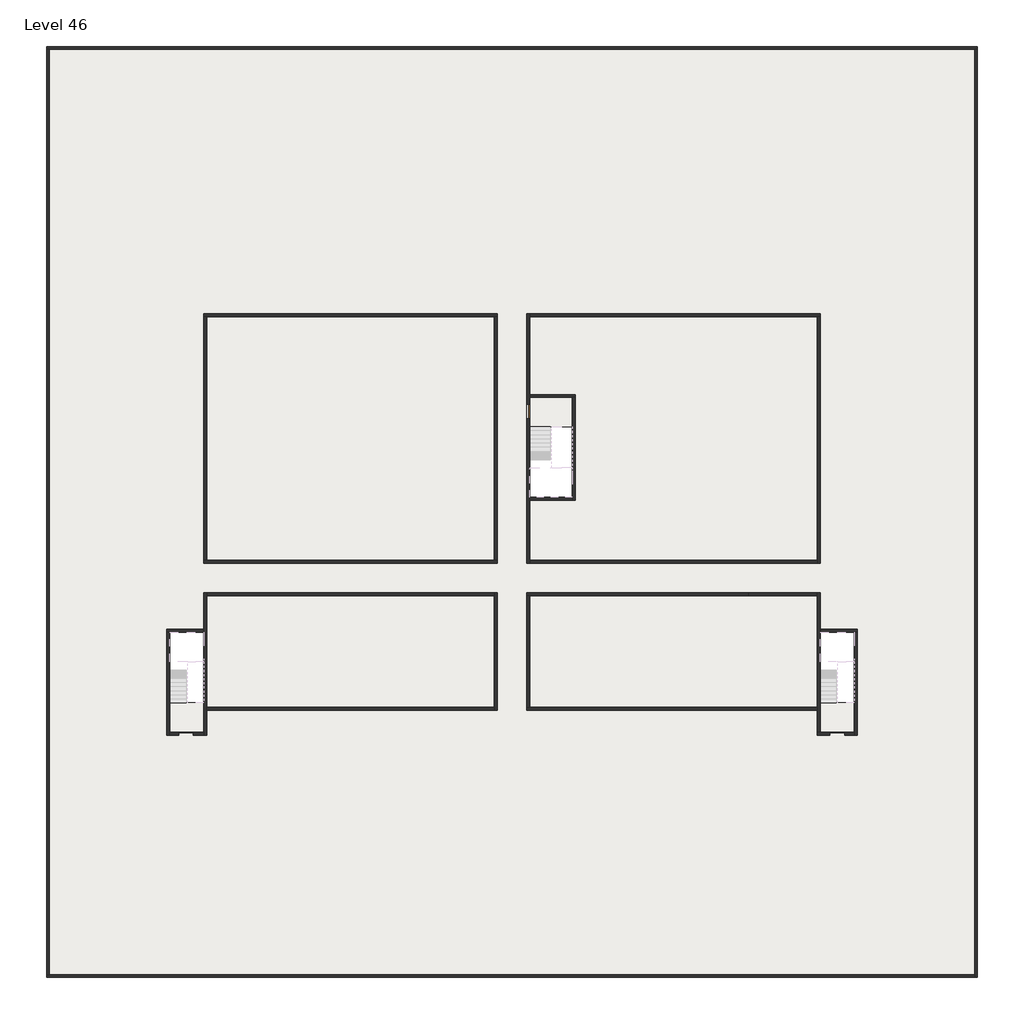
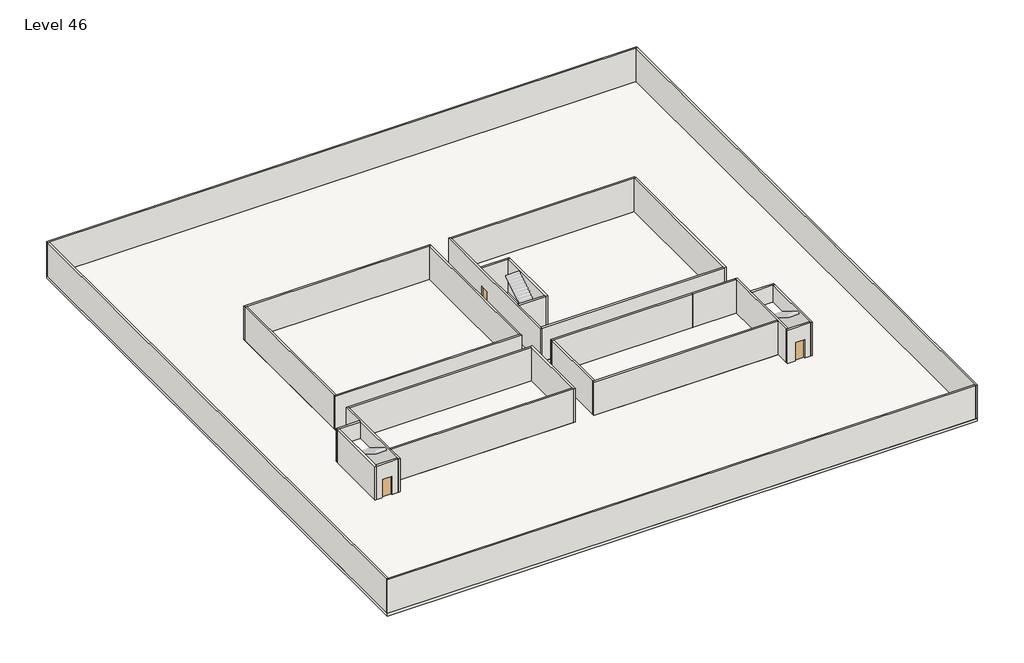
# One storey, part 1 of 2: 30 walls, 3 doors, 3 slabs.
"""IFC4 building model written with IfcOpenShell, lengths in millimetres."""

import ifcopenshell
import ifcopenshell.guid

model = None  # the IFC model being written
_history = None  # IfcOwnerHistory: only IFC2X3 demands one
_inside = {}  # id of a spatial element -> (the spatial element, [elements in it])
_under = {}  # id of a project, library or spatial element -> (it, [spatial elements below it])
_declared = {}  # id of a project -> (the project, [libraries it declares])
_typed = {}  # id of a type object -> (the type object, [elements of that type])
_made_of = {}  # id of a material, layer set ... -> (it, [elements and type objects made of it])


def new_model(schema):
    """Start an empty IFC model of exactly this schema.

    Asked for "IFC4X3", IfcOpenShell would pick the latest addendum, in which some entities
    have other attributes; the version numbers below select the first issue.
    IFC2X3 requires an IfcOwnerHistory on every rooted entity: one is made here for all.
    """
    global model, _history
    if schema == "IFC4X3":
        model = ifcopenshell.file(schema_version=(4, 3, 0, 0))
    else:
        model = ifcopenshell.file(schema=schema)
    _inside.clear()
    _under.clear()
    _declared.clear()
    _typed.clear()
    _made_of.clear()
    _history = None
    if model.schema == "IFC2X3":
        org = make("IfcOrganization", Name="unknown")
        user = make(
            "IfcPersonAndOrganization",
            ThePerson=make("IfcPerson", FamilyName="unknown"),
            TheOrganization=org,
        )
        app = make(
            "IfcApplication",
            ApplicationDeveloper=org,
            Version="unknown",
            ApplicationFullName="unknown",
            ApplicationIdentifier="unknown",
        )
        _history = make(
            "IfcOwnerHistory",
            OwningUser=user,
            OwningApplication=app,
            ChangeAction="ADDED",
            CreationDate=0,
        )
    return model


def make(cls, **values):
    """One entity of the class cls with the attributes given. An attribute that is None is left unset."""
    return model.create_entity(
        cls, **{name: value for name, value in values.items() if value is not None}
    )


def rooted(cls, **values):
    """An entity with a GlobalId (a new one), such as an element, a storey or a relation."""
    return make(cls, GlobalId=ifcopenshell.guid.new(), OwnerHistory=_history, **values)


def si_unit(unit_type, name, prefix=None):
    """IfcSIUnit, for example si_unit("LENGTHUNIT", "METRE", prefix="MILLI")."""
    return make("IfcSIUnit", UnitType=unit_type, Prefix=prefix, Name=name)


def assignment(units):
    """IfcUnitAssignment: the units of a project."""
    return None if units is None else make("IfcUnitAssignment", Units=units)


def point(xyz):
    """IfcCartesianPoint."""
    return None if xyz is None else make("IfcCartesianPoint", Coordinates=xyz)


def direction(xyz):
    """IfcDirection."""
    return None if xyz is None else make("IfcDirection", DirectionRatios=xyz)


def frame(location, z_axis=None, x_axis=None):
    """IfcAxis2Placement3D, a coordinate frame: its origin and axes. An axis left out is left unset."""
    return make(
        "IfcAxis2Placement3D",
        Location=point(location),
        Axis=direction(z_axis),
        RefDirection=direction(x_axis),
    )


def origin():
    """The frame at (0, 0, 0) with its axes left unset."""
    return frame((0.0, 0.0, 0.0))


def origin_with_axes():
    """The frame at (0, 0, 0) with the z axis (0, 0, 1) and the x axis (1, 0, 0) written out."""
    return frame((0.0, 0.0, 0.0), z_axis=(0.0, 0.0, 1.0), x_axis=(1.0, 0.0, 0.0))


def place(relative_to, where):
    """IfcLocalPlacement: puts the frame where relative to a parent placement (None: the world)."""
    return make(
        "IfcLocalPlacement", PlacementRelTo=relative_to, RelativePlacement=where
    )


def context(
    kind, dimensions, precision=None, world=None, true_north=None, identifier=None
):
    """IfcGeometricRepresentationContext, for example the 3D "Model" context."""
    return make(
        "IfcGeometricRepresentationContext",
        ContextIdentifier=identifier,
        ContextType=kind,
        CoordinateSpaceDimension=dimensions,
        Precision=precision,
        WorldCoordinateSystem=world,
        TrueNorth=true_north,
    )


def project(units=None, contexts=None):
    """IfcProject with its units and contexts."""
    return rooted(
        "IfcProject",
        Name="project",
        RepresentationContexts=contexts,
        UnitsInContext=assignment(units),
    )


def spatial(cls, under=None, at=None, **own):
    """A site, building, storey or space (cls), placed at a placement, below another one or the project."""
    s = rooted(cls, ObjectPlacement=at, **own)
    if under is not None:
        _under.setdefault(under.id(), (under, []))[1].append(s)
    return s


def polyline(points):
    """IfcPolyline through the points."""
    return make("IfcPolyline", Points=[point(p) for p in points])


def outline(outer, holes=None, kind="AREA"):
    """IfcArbitraryClosedProfileDef: a profile drawn as a closed curve; with holes, ...WithVoids."""
    if holes is None:
        return make("IfcArbitraryClosedProfileDef", ProfileType=kind, OuterCurve=outer)
    return make(
        "IfcArbitraryProfileDefWithVoids",
        ProfileType=kind,
        OuterCurve=outer,
        InnerCurves=holes,
    )


def extrude(swept, where, along, depth):
    """IfcExtrudedAreaSolid: the profile swept, set in the frame where, extruded along a direction by depth."""
    return make(
        "IfcExtrudedAreaSolid",
        SweptArea=swept,
        Position=where,
        ExtrudedDirection=direction(along),
        Depth=depth,
    )


def faces_of(points, faces, orient=None, outer=None):
    """IfcFace entities. A face is a list of loops; a loop is a list of indices into points, from 0.

    orient and outer hold one flag for each loop. By default every Orientation is true, the
    first loop of a face is its IfcFaceOuterBound and the others are IfcFaceBound.
    """
    made = []
    for i, loops in enumerate(faces):
        bounds = []
        for j, loop in enumerate(loops):
            is_outer = j == 0 if outer is None else outer[i][j]
            bounds.append(
                make(
                    "IfcFaceOuterBound" if is_outer else "IfcFaceBound",
                    Bound=make("IfcPolyLoop", Polygon=[points[k] for k in loop]),
                    Orientation=True if orient is None else orient[i][j],
                )
            )
        made.append(make("IfcFace", Bounds=bounds))
    return made


def faceted_brep(points, faces, orient=None, outer=None, voids=None):
    """IfcFacetedBrep: a solid bounded by flat faces; with voids (closed shells), ...WithVoids."""
    shared = [point(p) for p in points]
    hull = make("IfcClosedShell", CfsFaces=faces_of(shared, faces, orient, outer))
    if voids is None:
        return make("IfcFacetedBrep", Outer=hull)
    return make(
        "IfcFacetedBrepWithVoids",
        Outer=hull,
        Voids=[
            make(cls, CfsFaces=faces_of(shared, fs, o, b)) for cls, fs, o, b in voids
        ],
    )


def shape(context_of_items, identifier, shape_type, items):
    """IfcShapeRepresentation: the items that make up one representation, for example the "Body"."""
    return make(
        "IfcShapeRepresentation",
        ContextOfItems=context_of_items,
        RepresentationIdentifier=identifier,
        RepresentationType=shape_type,
        Items=items,
    )


def source(mapping_origin, context_of_items, identifier, shape_type, items):
    """IfcRepresentationMap: a shape defined once, which mapped items show again and again."""
    return make(
        "IfcRepresentationMap",
        MappingOrigin=mapping_origin,
        MappedRepresentation=shape(context_of_items, identifier, shape_type, items),
    )


def transform(
    local_origin,
    x_axis=None,
    y_axis=None,
    z_axis=None,
    scale=None,
    scale2=None,
    scale3=None,
    uniform=True,
):
    """IfcCartesianTransformationOperator3D, or its non-uniform kind. x_axis, y_axis, z_axis: its Axis1, 2, 3."""
    if uniform:
        return make(
            "IfcCartesianTransformationOperator3D",
            Axis1=direction(x_axis),
            Axis2=direction(y_axis),
            LocalOrigin=point(local_origin),
            Scale=scale,
            Axis3=direction(z_axis),
        )
    return make(
        "IfcCartesianTransformationOperator3DnonUniform",
        Axis1=direction(x_axis),
        Axis2=direction(y_axis),
        LocalOrigin=point(local_origin),
        Scale=scale,
        Axis3=direction(z_axis),
        Scale2=scale2,
        Scale3=scale3,
    )


def mapped(mapping_source, mapping_target):
    """IfcMappedItem: shows the shape of a source again, moved by a transform."""
    return make(
        "IfcMappedItem", MappingSource=mapping_source, MappingTarget=mapping_target
    )


def made_of(thing, what):
    """Note that an element or type object is made of a material, layer set ...; save() writes the relation."""
    if what is not None:
        _made_of.setdefault(what.id(), (what, []))[1].append(thing)
    return thing


def element(
    cls,
    number,
    at=None,
    inside=None,
    cuts=None,
    type_object=None,
    material=None,
    context=None,
    identifier="Body",
    shape_type=None,
    held_by="IfcProductDefinitionShape",
    body=None,
    shapes=None,
    **own,
):
    """One element of the class cls, such as IfcWall. Its Tag is "e" and its number.

    at: its placement. inside: the storey or other place that contains it. cuts: it is an
    opening in that element (IfcRelVoidsElement). A single representation is given by context,
    identifier, shape_type and body (its items); several are given by shapes. held_by: the class
    of the entity that holds the representations. save() writes the other relations.
    """
    e = rooted(cls, Tag="e%d" % number, ObjectPlacement=at, **own)
    if body is not None:
        shapes = [shape(context, identifier, shape_type, body)]
    if shapes is not None:
        e.Representation = make(held_by, Representations=shapes)
    if inside is not None:
        _inside.setdefault(inside.id(), (inside, []))[1].append(e)
    if cuts is not None:
        rooted(
            "IfcRelVoidsElement", RelatingBuildingElement=cuts, RelatedOpeningElement=e
        )
    if type_object is not None:
        _typed.setdefault(type_object.id(), (type_object, []))[1].append(e)
    return made_of(e, material)


def aggregate(whole, parts):
    """IfcRelAggregates: a whole, such as a stair, and the parts it consists of."""
    return rooted("IfcRelAggregates", RelatingObject=whole, RelatedObjects=parts)


def save(model, path):
    """Write the relations noted so far, then the file.

    IfcRelAggregates (storeys below a building ...), IfcRelContainedInSpatialStructure (elements
    in a storey), IfcRelDefinesByType, IfcRelAssociatesMaterial and IfcRelDeclares: one each for
    every whole, place, type object, material and project.
    """
    for whole, parts in _under.values():
        aggregate(whole, parts)
    for where, things in _inside.values():
        rooted(
            "IfcRelContainedInSpatialStructure",
            RelatedElements=things,
            RelatingStructure=where,
        )
    for kind, things in _typed.values():
        rooted("IfcRelDefinesByType", RelatedObjects=things, RelatingType=kind)
    for what, things in _made_of.values():
        rooted("IfcRelAssociatesMaterial", RelatedObjects=things, RelatingMaterial=what)
    for by, libraries in _declared.values():
        rooted("IfcRelDeclares", RelatingContext=by, RelatedDefinitions=libraries)
    model.write(path)


def door_0317a72c(model_context):
    return source(origin(), model_context, "Body", "SweptSolid", [
        extrude(outline(polyline([(500.0, -49.0), (500.0, -100.0), (-500.0, -100.0), (-500.0, -49.0), (500.0, -49.0)])), origin_with_axes(), (0.0, 0.0, 1.0), 2100.0),
    ])


model = new_model("IFC4")

# Units and contexts
model_context = context("Model", 3, world=origin())
ifc_project = project(units=[si_unit("LENGTHUNIT", "METRE", prefix="MILLI")], contexts=[model_context])

# Site, building, storey
site = spatial("IfcSite", under=ifc_project)
building = spatial("IfcBuilding", under=site)
storey = spatial("IfcBuildingStorey", under=building, Name="Level 46", Elevation=171000.0)

# Doors
placement = place(None, origin())
door_shape = door_0317a72c(model_context)
element("IfcDoor", 1, at=placement, inside=storey, context=model_context, shape_type="MappedRepresentation", body=[
    mapped(door_shape, transform((46340.1058784, -52318.09644, 171000.0), x_axis=(-1.0, 0.0, 0.0), y_axis=(0.0, -1.0, 0.0), z_axis=(0.0, 0.0, 1.0))),
])
element("IfcDoor", 2, at=placement, inside=storey, context=model_context, shape_type="MappedRepresentation", body=[
    mapped(door_shape, transform((1990.1058784, -52318.09644, 171000.0), x_axis=(-1.0, 0.0, 0.0), y_axis=(0.0, -1.0, 0.0), z_axis=(0.0, 0.0, 1.0))),
])
element("IfcDoor", 3, at=placement, inside=storey, context=model_context, shape_type="MappedRepresentation", body=[
    mapped(door_shape, transform((25290.1058784, -30368.09644, 171000.0), x_axis=(0.0, 1.0, 0.0), y_axis=(-1.0, 0.0, 0.0), z_axis=(0.0, 0.0, 1.0))),
])

# Slabs
element("IfcSlab", 4, at=placement, inside=storey, context=model_context, shape_type="SweptSolid", body=[
    extrude(outline(polyline([(55890.1058784, -5518.09644), (55890.1058784, -68918.09644), (-7509.8941216, -68918.09644), (-7509.8941216, -5518.09644), (55890.1058784, -5518.09644)]), holes=[polyline([(23190.1058784, -23718.09644), (3190.1058784, -23718.09644), (3190.1058784, -40718.09644), (23190.1058784, -40718.09644), (23190.1058784, -23718.09644)]), polyline([(45190.1058784, -23718.09644), (25190.1058784, -23718.09644), (25190.1058784, -40718.09644), (45190.1058784, -40718.09644), (45190.1058784, -23718.09644)]), polyline([(23190.1058784, -42718.09644), (3390.1058784, -42718.09644), (3390.1058784, -45418.09644), (890.1058784, -45418.09644), (890.1058784, -52218.09644), (3190.1058784, -52218.09644), (3190.1058784, -50718.09644), (23190.1058784, -50718.09644), (23190.1058784, -42718.09644)]), polyline([(44990.1058784, -42718.09644), (25190.1058784, -42718.09644), (25190.1058784, -50718.09644), (45190.1058784, -50718.09644), (45190.1058784, -52218.09644), (47490.1058784, -52218.09644), (47490.1058784, -45418.09644), (44990.1058784, -45418.09644), (44990.1058784, -42718.09644)])]), frame((0.0, 0.0, 170700.0), z_axis=(0.0, 0.0, 1.0), x_axis=(1.0, 0.0, 0.0)), (0.0, 0.0, 1.0), 300.0),
])
element("IfcSlab", 5, at=placement, inside=storey, context=model_context, shape_type="SweptSolid", body=[
    extrude(outline(polyline([(22990.1058784, -23918.09644), (22990.1058784, -40518.09644), (3390.1058784, -40518.09644), (3390.1058784, -23918.09644), (22990.1058784, -23918.09644)])), frame((0.0, 0.0, 170700.0), z_axis=(0.0, 0.0, 1.0), x_axis=(1.0, 0.0, 0.0)), (0.0, 0.0, 1.0), 300.0),
    extrude(outline(polyline([(44990.1058784, -23918.09644), (44990.1058784, -40518.09644), (25390.1058784, -40518.09644), (25390.1058784, -36418.09644), (28490.1058784, -36418.09644), (28490.1058784, -29218.09644), (25390.1058784, -29218.09644), (25390.1058784, -23918.09644), (44990.1058784, -23918.09644)])), frame((0.0, 0.0, 170700.0), z_axis=(0.0, 0.0, 1.0), x_axis=(1.0, 0.0, 0.0)), (0.0, 0.0, 1.0), 300.0),
    extrude(outline(polyline([(22990.1058784, -42918.09644), (22990.1058784, -50518.09644), (3390.1058784, -50518.09644), (3390.1058784, -42918.09644), (22990.1058784, -42918.09644)])), frame((0.0, 0.0, 170700.0), z_axis=(0.0, 0.0, 1.0), x_axis=(1.0, 0.0, 0.0)), (0.0, 0.0, 1.0), 300.0),
    extrude(outline(polyline([(44990.1058784, -42918.09644), (44990.1058784, -50518.09644), (25390.1058784, -50518.09644), (25390.1058784, -42918.09644), (44990.1058784, -42918.09644)])), frame((0.0, 0.0, 170700.0), z_axis=(0.0, 0.0, 1.0), x_axis=(1.0, 0.0, 0.0)), (0.0, 0.0, 1.0), 300.0),
])
element("IfcSlab", 6, at=placement, inside=storey, context=model_context, shape_type="SweptSolid", body=[
    extrude(outline(polyline([(28290.1058784, -29418.09644), (28290.1058784, -31418.09644), (25190.1058784, -31418.09644), (25190.1058784, -29418.09644), (28290.1058784, -29418.09644)])), frame((0.0, 0.0, 170700.0), z_axis=(0.0, 0.0, 1.0), x_axis=(1.0, 0.0, 0.0)), (0.0, 0.0, 1.0), 300.0),
    extrude(outline(polyline([(3190.1058784, -50218.09644), (3190.1058784, -52218.09644), (890.1058784, -52218.09644), (890.1058784, -50218.09644), (3190.1058784, -50218.09644)])), frame((0.0, 0.0, 170700.0), z_axis=(0.0, 0.0, 1.0), x_axis=(1.0, 0.0, 0.0)), (0.0, 0.0, 1.0), 300.0),
    extrude(outline(polyline([(47490.1058784, -50218.09644), (47490.1058784, -52218.09644), (45190.1058784, -52218.09644), (45190.1058784, -50218.09644), (47490.1058784, -50218.09644)])), frame((0.0, 0.0, 170700.0), z_axis=(0.0, 0.0, 1.0), x_axis=(1.0, 0.0, 0.0)), (0.0, 0.0, 1.0), 300.0),
])

# Walls
element("IfcWall", 7, at=placement, inside=storey, context=model_context, shape_type="Brep", body=[
    faceted_brep([(-7509.8941216, -5718.09644, 171000.0), (-7309.8941216, -5718.09644, 171000.0), (55690.1058784, -5718.09644, 171000.0), (55890.1058784, -5718.09644, 171000.0), (55890.1058784, -5718.09644, 174800.0), (55690.1058784, -5718.09644, 174800.0), (-7309.8941216, -5718.09644, 174800.0), (-7509.8941216, -5718.09644, 174800.0), (-7509.8941216, -5518.09644, 171000.0), (-7509.8941216, -5518.09644, 174800.0), (55890.1058784, -5518.09644, 174800.0), (55890.1058784, -5518.09644, 171000.0)], [[[0, 1, 2, 3, 4, 5, 6, 7]], [[8, 9, 10, 11]], [[3, 2, 1, 0, 8, 11]], [[7, 6, 5, 4, 10, 9]], [[4, 3, 11, 10]], [[0, 7, 9, 8]]]),
])
element("IfcWall", 8, at=placement, inside=storey, context=model_context, shape_type="Brep", body=[
    faceted_brep([(55690.1058784, -5718.09644, 171000.0), (55690.1058784, -68718.09644, 171000.0), (55690.1058784, -68918.09644, 171000.0), (55690.1058784, -68918.09644, 174800.0), (55690.1058784, -68718.09644, 174800.0), (55690.1058784, -5718.09644, 174800.0), (55890.1058784, -5718.09644, 171000.0), (55890.1058784, -5718.09644, 174800.0), (55890.1058784, -68918.09644, 174800.0), (55890.1058784, -68918.09644, 171000.0)], [[[0, 1, 2, 3, 4, 5]], [[6, 7, 8, 9]], [[2, 1, 0, 6, 9]], [[5, 4, 3, 8, 7]], [[0, 5, 7, 6]], [[3, 2, 9, 8]]]),
])
element("IfcWall", 9, at=placement, inside=storey, context=model_context, shape_type="Brep", body=[
    faceted_brep([(55690.1058784, -68718.09644, 171000.0), (-7309.8941216, -68718.09644, 171000.0), (-7509.8941216, -68718.09644, 171000.0), (-7509.8941216, -68718.09644, 174800.0), (-7309.8941216, -68718.09644, 174800.0), (55690.1058784, -68718.09644, 174800.0), (55690.1058784, -68918.09644, 171000.0), (55690.1058784, -68918.09644, 174800.0), (-7509.8941216, -68918.09644, 174800.0), (-7509.8941216, -68918.09644, 171000.0)], [[[0, 1, 2, 3, 4, 5]], [[6, 7, 8, 9]], [[2, 1, 0, 6, 9]], [[5, 4, 3, 8, 7]], [[0, 5, 7, 6]], [[3, 2, 9, 8]]]),
])
element("IfcWall", 10, at=placement, inside=storey, context=model_context, shape_type="SweptSolid", body=[
    extrude(outline(polyline([(-7309.8941216, -5718.09644), (-7309.8941216, -68718.09644), (-7509.8941216, -68718.09644), (-7509.8941216, -5718.09644), (-7309.8941216, -5718.09644)])), frame((0.0, 0.0, 171000.0), z_axis=(0.0, 0.0, 1.0), x_axis=(1.0, 0.0, 0.0)), (0.0, 0.0, 1.0), 3800.0),
])
element("IfcWall", 11, at=placement, inside=storey, context=model_context, shape_type="Brep", body=[
    faceted_brep([(3190.1058784, -23918.09644, 171000.0), (3390.1058784, -23918.09644, 171000.0), (22990.1058784, -23918.09644, 171000.0), (23190.1058784, -23918.09644, 171000.0), (23190.1058784, -23918.09644, 174800.0), (22990.1058784, -23918.09644, 174800.0), (3390.1058784, -23918.09644, 174800.0), (3190.1058784, -23918.09644, 174800.0), (3190.1058784, -23718.09644, 171000.0), (3190.1058784, -23718.09644, 174800.0), (23190.1058784, -23718.09644, 174800.0), (23190.1058784, -23718.09644, 171000.0)], [[[0, 1, 2, 3, 4, 5, 6, 7]], [[8, 9, 10, 11]], [[3, 2, 1, 0, 8, 11]], [[7, 6, 5, 4, 10, 9]], [[0, 7, 9, 8]], [[4, 3, 11, 10]]]),
])
element("IfcWall", 12, at=placement, inside=storey, context=model_context, shape_type="Brep", body=[
    faceted_brep([(44990.1058784, -23918.09644, 171000.0), (44990.1058784, -40518.09644, 171000.0), (44990.1058784, -40718.09644, 171000.0), (44990.1058784, -40718.09644, 174800.0), (44990.1058784, -40518.09644, 174800.0), (44990.1058784, -23918.09644, 174800.0), (45190.1058784, -23918.09644, 171000.0), (45190.1058784, -23918.09644, 174800.0), (45190.1058784, -40718.09644, 174800.0), (45190.1058784, -40718.09644, 171000.0)], [[[0, 1, 2, 3, 4, 5]], [[6, 7, 8, 9]], [[2, 1, 0, 6, 9]], [[5, 4, 3, 8, 7]], [[0, 5, 7, 6]], [[3, 2, 9, 8]]]),
])
element("IfcWall", 13, at=placement, inside=storey, context=model_context, shape_type="Brep", body=[
    faceted_brep([(44990.1058784, -50518.09644, 171000.0), (25390.1058784, -50518.09644, 171000.0), (25190.1058784, -50518.09644, 171000.0), (25190.1058784, -50518.09644, 174800.0), (25390.1058784, -50518.09644, 174800.0), (44990.1058784, -50518.09644, 174800.0), (44990.1058784, -50718.09644, 171000.0), (44990.1058784, -50718.09644, 174800.0), (25190.1058784, -50718.09644, 174800.0), (25190.1058784, -50718.09644, 171000.0)], [[[0, 1, 2, 3, 4, 5]], [[6, 7, 8, 9]], [[2, 1, 0, 6, 9]], [[5, 4, 3, 8, 7]], [[3, 2, 9, 8]], [[0, 5, 7, 6]]]),
])
element("IfcWall", 14, at=placement, inside=storey, context=model_context, shape_type="Brep", body=[
    faceted_brep([(3390.1058784, -52418.09644, 171000.0), (3390.1058784, -50718.09644, 171000.0), (3390.1058784, -50518.09644, 171000.0), (3390.1058784, -42918.09644, 171000.0), (3390.1058784, -42718.09644, 171000.0), (3390.1058784, -42718.09644, 174800.0), (3390.1058784, -42918.09644, 174800.0), (3390.1058784, -50518.09644, 174800.0), (3390.1058784, -50718.09644, 174800.0), (3390.1058784, -52418.09644, 174800.0), (3190.1058784, -52418.09644, 171000.0), (3190.1058784, -52418.09644, 174800.0), (3190.1058784, -52218.09644, 174800.0), (3190.1058784, -45418.09644, 174800.0), (3190.1058784, -45218.09644, 174800.0), (3190.1058784, -42718.09644, 174800.0), (3190.1058784, -42718.09644, 171000.0), (3190.1058784, -45218.09644, 171000.0), (3190.1058784, -45418.09644, 171000.0), (3190.1058784, -52218.09644, 171000.0)], [[[0, 1, 2, 3, 4, 5, 6, 7, 8, 9]], [[10, 11, 12, 13, 14, 15, 16, 17, 18, 19]], [[4, 3, 2, 1, 0, 10, 19, 18, 17, 16]], [[9, 8, 7, 6, 5, 15, 14, 13, 12, 11]], [[5, 4, 16, 15]], [[0, 9, 11, 10]]]),
])
element("IfcWall", 15, at=placement, inside=storey, context=model_context, shape_type="SweptSolid", body=[
    extrude(outline(polyline([(22990.1058784, -40518.09644), (22990.1058784, -23918.09644), (23190.1058784, -23918.09644), (23190.1058784, -40518.09644), (22990.1058784, -40518.09644)])), frame((0.0, 0.0, 171000.0), z_axis=(0.0, 0.0, 1.0), x_axis=(1.0, 0.0, 0.0)), (0.0, 0.0, 1.0), 3800.0),
])
element("IfcWall", 16, at=placement, inside=storey, context=model_context, shape_type="Brep", body=[
    faceted_brep([(23190.1058784, -40518.09644, 171000.0), (22990.1058784, -40518.09644, 171000.0), (3390.1058784, -40518.09644, 171000.0), (3190.1058784, -40518.09644, 171000.0), (3190.1058784, -40518.09644, 174800.0), (3390.1058784, -40518.09644, 174800.0), (22990.1058784, -40518.09644, 174800.0), (23190.1058784, -40518.09644, 174800.0), (23190.1058784, -40718.09644, 171000.0), (23190.1058784, -40718.09644, 174800.0), (3190.1058784, -40718.09644, 174800.0), (3190.1058784, -40718.09644, 171000.0)], [[[0, 1, 2, 3, 4, 5, 6, 7]], [[8, 9, 10, 11]], [[3, 2, 1, 0, 8, 11]], [[7, 6, 5, 4, 10, 9]], [[4, 3, 11, 10]], [[0, 7, 9, 8]]]),
])
element("IfcWall", 17, at=placement, inside=storey, context=model_context, shape_type="SweptSolid", body=[
    extrude(outline(polyline([(22990.1058784, -42918.09644), (3390.1058784, -42918.09644), (3390.1058784, -42718.09644), (22990.1058784, -42718.09644), (22990.1058784, -42918.09644)])), frame((0.0, 0.0, 171000.0), z_axis=(0.0, 0.0, 1.0), x_axis=(1.0, 0.0, 0.0)), (0.0, 0.0, 1.0), 3800.0),
])
element("IfcWall", 18, at=placement, inside=storey, context=model_context, shape_type="SweptSolid", body=[
    extrude(outline(polyline([(25390.1058784, -40518.09644), (44990.1058784, -40518.09644), (44990.1058784, -40718.09644), (25390.1058784, -40718.09644), (25390.1058784, -40518.09644)])), frame((0.0, 0.0, 171000.0), z_axis=(0.0, 0.0, 1.0), x_axis=(1.0, 0.0, 0.0)), (0.0, 0.0, 1.0), 3800.0),
])
element("IfcWall", 19, at=placement, inside=storey, context=model_context, shape_type="Brep", body=[
    faceted_brep([(25390.1058784, -29868.09644, 173100.0), (25390.1058784, -29868.09644, 171000.0), (25390.1058784, -29418.09644, 171000.0), (25390.1058784, -29218.09644, 171000.0), (25390.1058784, -23918.09644, 171000.0), (25390.1058784, -23718.09644, 171000.0), (25390.1058784, -23718.09644, 174800.0), (25390.1058784, -23918.09644, 174800.0), (25390.1058784, -29218.09644, 174800.0), (25390.1058784, -29418.09644, 174800.0), (25390.1058784, -36218.09644, 174800.0), (25390.1058784, -36418.09644, 174800.0), (25390.1058784, -40518.09644, 174800.0), (25390.1058784, -40718.09644, 174800.0), (25390.1058784, -40718.09644, 171000.0), (25390.1058784, -40518.09644, 171000.0), (25390.1058784, -36418.09644, 171000.0), (25390.1058784, -36218.09644, 171000.0), (25390.1058784, -30868.09644, 171000.0), (25390.1058784, -30868.09644, 173100.0), (25190.1058784, -23718.09644, 171000.0), (25190.1058784, -29868.09644, 171000.0), (25190.1058784, -29868.09644, 173100.0), (25190.1058784, -30868.09644, 173100.0), (25190.1058784, -30868.09644, 171000.0), (25190.1058784, -40718.09644, 171000.0), (25190.1058784, -40718.09644, 174800.0), (25190.1058784, -23718.09644, 174800.0)], [[[0, 1, 2, 3, 4, 5, 6, 7, 8, 9, 10, 11, 12, 13, 14, 15, 16, 17, 18, 19]], [[20, 21, 22, 23, 24, 25, 26, 27]], [[5, 4, 3, 2, 1, 21, 20]], [[18, 17, 16, 15, 14, 25, 24]], [[13, 12, 11, 10, 9, 8, 7, 6, 27, 26]], [[22, 21, 1, 0]], [[23, 22, 0, 19]], [[24, 23, 19, 18]], [[14, 13, 26, 25]], [[6, 5, 20, 27]]]),
])
element("IfcWall", 20, at=placement, inside=storey, context=model_context, shape_type="SweptSolid", body=[
    extrude(outline(polyline([(3390.1058784, -23918.09644), (3390.1058784, -40518.09644), (3190.1058784, -40518.09644), (3190.1058784, -23918.09644), (3390.1058784, -23918.09644)])), frame((0.0, 0.0, 171000.0), z_axis=(0.0, 0.0, 1.0), x_axis=(1.0, 0.0, 0.0)), (0.0, 0.0, 1.0), 3800.0),
])
element("IfcWall", 21, at=placement, inside=storey, context=model_context, shape_type="Brep", body=[
    faceted_brep([(25390.1058784, -23918.09644, 171000.0), (44990.1058784, -23918.09644, 171000.0), (45190.1058784, -23918.09644, 171000.0), (45190.1058784, -23918.09644, 174800.0), (44990.1058784, -23918.09644, 174800.0), (25390.1058784, -23918.09644, 174800.0), (25390.1058784, -23718.09644, 171000.0), (25390.1058784, -23718.09644, 174800.0), (45190.1058784, -23718.09644, 174800.0), (45190.1058784, -23718.09644, 171000.0)], [[[0, 1, 2, 3, 4, 5]], [[6, 7, 8, 9]], [[2, 1, 0, 6, 9]], [[5, 4, 3, 8, 7]], [[3, 2, 9, 8]], [[0, 5, 7, 6]]]),
])
element("IfcWall", 22, at=placement, inside=storey, context=model_context, shape_type="Brep", body=[
    faceted_brep([(44990.1058784, -42718.09644, 171000.0), (44990.1058784, -42918.09644, 171000.0), (44990.1058784, -50518.09644, 171000.0), (44990.1058784, -50718.09644, 171000.0), (44990.1058784, -52218.09644, 171000.0), (44990.1058784, -52218.09644, 174800.0), (44990.1058784, -50718.09644, 174800.0), (44990.1058784, -50518.09644, 174800.0), (44990.1058784, -42918.09644, 174800.0), (44990.1058784, -42718.09644, 174800.0), (45190.1058784, -42718.09644, 171000.0), (45190.1058784, -42718.09644, 174800.0), (45190.1058784, -45218.09644, 174800.0), (45190.1058784, -45418.09644, 174800.0), (45190.1058784, -52218.09644, 174800.0), (45190.1058784, -52218.09644, 171000.0), (45190.1058784, -45418.09644, 171000.0), (45190.1058784, -45218.09644, 171000.0)], [[[0, 1, 2, 3, 4, 5, 6, 7, 8, 9]], [[10, 11, 12, 13, 14, 15, 16, 17]], [[4, 3, 2, 1, 0, 10, 17, 16, 15]], [[9, 8, 7, 6, 5, 14, 13, 12, 11]], [[0, 9, 11, 10]], [[5, 4, 15, 14]]]),
])
element("IfcWall", 23, at=placement, inside=storey, context=model_context, shape_type="Brep", body=[
    faceted_brep([(25390.1058784, -29418.09644, 171000.0), (28290.1058784, -29418.09644, 171000.0), (28490.1058784, -29418.09644, 171000.0), (28490.1058784, -29418.09644, 174800.0), (28290.1058784, -29418.09644, 174800.0), (25390.1058784, -29418.09644, 174800.0), (25390.1058784, -29218.09644, 171000.0), (25390.1058784, -29218.09644, 174800.0), (28490.1058784, -29218.09644, 174800.0), (28490.1058784, -29218.09644, 171000.0)], [[[0, 1, 2, 3, 4, 5]], [[6, 7, 8, 9]], [[2, 1, 0, 6, 9]], [[5, 4, 3, 8, 7]], [[3, 2, 9, 8]], [[0, 5, 7, 6]]]),
])
element("IfcWall", 24, at=placement, inside=storey, context=model_context, shape_type="Brep", body=[
    faceted_brep([(28290.1058784, -29418.09644, 171000.0), (28290.1058784, -36218.09644, 171000.0), (28290.1058784, -36418.09644, 171000.0), (28290.1058784, -36418.09644, 174800.0), (28290.1058784, -36218.09644, 174800.0), (28290.1058784, -29418.09644, 174800.0), (28490.1058784, -29418.09644, 171000.0), (28490.1058784, -29418.09644, 174800.0), (28490.1058784, -36418.09644, 174800.0), (28490.1058784, -36418.09644, 171000.0)], [[[0, 1, 2, 3, 4, 5]], [[6, 7, 8, 9]], [[2, 1, 0, 6, 9]], [[5, 4, 3, 8, 7]], [[3, 2, 9, 8]], [[0, 5, 7, 6]]]),
])
element("IfcWall", 25, at=placement, inside=storey, context=model_context, shape_type="SweptSolid", body=[
    extrude(outline(polyline([(25390.1058784, -36218.09644), (28290.1058784, -36218.09644), (28290.1058784, -36418.09644), (25390.1058784, -36418.09644), (25390.1058784, -36218.09644)])), frame((0.0, 0.0, 171000.0), z_axis=(0.0, 0.0, 1.0), x_axis=(1.0, 0.0, 0.0)), (0.0, 0.0, 1.0), 3800.0),
])
element("IfcWall", 26, at=placement, inside=storey, context=model_context, shape_type="SweptSolid", body=[
    extrude(outline(polyline([(25190.1058784, -50518.09644), (25190.1058784, -42918.09644), (25390.1058784, -42918.09644), (25390.1058784, -50518.09644), (25190.1058784, -50518.09644)])), frame((0.0, 0.0, 171000.0), z_axis=(0.0, 0.0, 1.0), x_axis=(1.0, 0.0, 0.0)), (0.0, 0.0, 1.0), 3800.0),
])
element("IfcWall", 27, at=placement, inside=storey, context=model_context, shape_type="Brep", body=[
    faceted_brep([(22990.1058784, -42718.09644, 171000.0), (22990.1058784, -42918.09644, 171000.0), (22990.1058784, -50518.09644, 171000.0), (22990.1058784, -50718.09644, 171000.0), (22990.1058784, -50718.09644, 174800.0), (22990.1058784, -50518.09644, 174800.0), (22990.1058784, -42918.09644, 174800.0), (22990.1058784, -42718.09644, 174800.0), (23190.1058784, -42718.09644, 171000.0), (23190.1058784, -42718.09644, 174800.0), (23190.1058784, -50718.09644, 174800.0), (23190.1058784, -50718.09644, 171000.0)], [[[0, 1, 2, 3, 4, 5, 6, 7]], [[8, 9, 10, 11]], [[3, 2, 1, 0, 8, 11]], [[7, 6, 5, 4, 10, 9]], [[4, 3, 11, 10]], [[0, 7, 9, 8]]]),
])
element("IfcWall", 28, at=placement, inside=storey, context=model_context, shape_type="Brep", body=[
    faceted_brep([(25190.1058784, -42918.09644, 171000.0), (25390.1058784, -42918.09644, 171000.0), (40290.1058784, -42918.09644, 171000.0), (40290.1058784, -42918.09644, 174800.0), (25390.1058784, -42918.09644, 174800.0), (25190.1058784, -42918.09644, 174800.0), (25190.1058784, -42718.09644, 171000.0), (25190.1058784, -42718.09644, 174800.0), (40290.1058784, -42718.09644, 174800.0), (40290.1058784, -42718.09644, 171000.0)], [[[0, 1, 2, 3, 4, 5]], [[6, 7, 8, 9]], [[2, 1, 0, 6, 9]], [[3, 2, 9, 8]], [[5, 4, 3, 8, 7]], [[0, 5, 7, 6]]]),
])
element("IfcWall", 29, at=placement, inside=storey, context=model_context, shape_type="SweptSolid", body=[
    extrude(outline(polyline([(3390.1058784, -50518.09644), (22990.1058784, -50518.09644), (22990.1058784, -50718.09644), (3390.1058784, -50718.09644), (3390.1058784, -50518.09644)])), frame((0.0, 0.0, 171000.0), z_axis=(0.0, 0.0, 1.0), x_axis=(1.0, 0.0, 0.0)), (0.0, 0.0, 1.0), 3800.0),
])
element("IfcWall", 30, at=placement, inside=storey, context=model_context, shape_type="Brep", body=[
    faceted_brep([(45190.1058784, -45418.09644, 171000.0), (47490.1058784, -45418.09644, 171000.0), (47690.1058784, -45418.09644, 171000.0), (47690.1058784, -45418.09644, 174800.0), (47490.1058784, -45418.09644, 174800.0), (45190.1058784, -45418.09644, 174800.0), (45190.1058784, -45218.09644, 171000.0), (45190.1058784, -45218.09644, 174800.0), (47690.1058784, -45218.09644, 174800.0), (47690.1058784, -45218.09644, 171000.0)], [[[0, 1, 2, 3, 4, 5]], [[6, 7, 8, 9]], [[2, 1, 0, 6, 9]], [[5, 4, 3, 8, 7]], [[3, 2, 9, 8]], [[0, 5, 7, 6]]]),
])
element("IfcWall", 31, at=placement, inside=storey, context=model_context, shape_type="Brep", body=[
    faceted_brep([(47490.1058784, -45418.09644, 171000.0), (47490.1058784, -52218.09644, 171000.0), (47490.1058784, -52418.09644, 171000.0), (47490.1058784, -52418.09644, 174800.0), (47490.1058784, -52218.09644, 174800.0), (47490.1058784, -45418.09644, 174800.0), (47690.1058784, -45418.09644, 171000.0), (47690.1058784, -45418.09644, 174800.0), (47690.1058784, -52418.09644, 174800.0), (47690.1058784, -52418.09644, 171000.0)], [[[0, 1, 2, 3, 4, 5]], [[6, 7, 8, 9]], [[2, 1, 0, 6, 9]], [[5, 4, 3, 8, 7]], [[0, 5, 7, 6]], [[3, 2, 9, 8]]]),
])
element("IfcWall", 32, at=placement, inside=storey, context=model_context, shape_type="Brep", body=[
    faceted_brep([(45840.1058784, -52218.09644, 173100.0), (45840.1058784, -52218.09644, 171000.0), (45190.1058784, -52218.09644, 171000.0), (44990.1058784, -52218.09644, 171000.0), (44990.1058784, -52218.09644, 174800.0), (45190.1058784, -52218.09644, 174800.0), (47490.1058784, -52218.09644, 174800.0), (47490.1058784, -52218.09644, 171000.0), (46840.1058784, -52218.09644, 171000.0), (46840.1058784, -52218.09644, 173100.0), (44990.1058784, -52418.09644, 171000.0), (45840.1058784, -52418.09644, 171000.0), (45840.1058784, -52418.09644, 173100.0), (46840.1058784, -52418.09644, 173100.0), (46840.1058784, -52418.09644, 171000.0), (47490.1058784, -52418.09644, 171000.0), (47490.1058784, -52418.09644, 174800.0), (44990.1058784, -52418.09644, 174800.0)], [[[0, 1, 2, 3, 4, 5, 6, 7, 8, 9]], [[10, 11, 12, 13, 14, 15, 16, 17]], [[8, 7, 15, 14]], [[3, 2, 1, 11, 10]], [[6, 5, 4, 17, 16]], [[12, 11, 1, 0]], [[13, 12, 0, 9]], [[14, 13, 9, 8]], [[4, 3, 10, 17]], [[7, 6, 16, 15]]]),
])
element("IfcWall", 33, at=placement, inside=storey, context=model_context, shape_type="Brep", body=[
    faceted_brep([(3190.1058784, -45218.09644, 171000.0), (690.1058784, -45218.09644, 171000.0), (690.1058784, -45218.09644, 174800.0), (3190.1058784, -45218.09644, 174800.0), (3190.1058784, -45418.09644, 171000.0), (3190.1058784, -45418.09644, 174800.0), (890.1058784, -45418.09644, 174800.0), (690.1058784, -45418.09644, 174800.0), (690.1058784, -45418.09644, 171000.0), (890.1058784, -45418.09644, 171000.0)], [[[0, 1, 2, 3]], [[4, 5, 6, 7, 8, 9]], [[1, 0, 4, 9, 8]], [[3, 2, 7, 6, 5]], [[2, 1, 8, 7]], [[0, 3, 5, 4]]]),
])
element("IfcWall", 34, at=placement, inside=storey, context=model_context, shape_type="Brep", body=[
    faceted_brep([(690.1058784, -45418.09644, 171000.0), (690.1058784, -52418.09644, 171000.0), (690.1058784, -52418.09644, 174800.0), (690.1058784, -45418.09644, 174800.0), (890.1058784, -45418.09644, 171000.0), (890.1058784, -45418.09644, 174800.0), (890.1058784, -52218.09644, 174800.0), (890.1058784, -52418.09644, 174800.0), (890.1058784, -52418.09644, 171000.0), (890.1058784, -52218.09644, 171000.0)], [[[0, 1, 2, 3]], [[4, 5, 6, 7, 8, 9]], [[1, 0, 4, 9, 8]], [[3, 2, 7, 6, 5]], [[0, 3, 5, 4]], [[2, 1, 8, 7]]]),
])
element("IfcWall", 35, at=placement, inside=storey, context=model_context, shape_type="SweptSolid", body=[
    extrude(outline(polyline([(171000.0, 890.1058784), (171000.0, 1490.1058784), (173100.0, 1490.1058784), (173100.0, 2490.1058784), (171000.0, 2490.1058784), (171000.0, 3190.1058784), (174800.0, 3190.1058784), (174800.0, 890.1058784), (171000.0, 890.1058784)])), frame((0.0, -52418.09644, 0.0), z_axis=(0.0, 1.0, 0.0), x_axis=(0.0, 0.0, 1.0)), (0.0, 0.0, 1.0), 200.0),
])
element("IfcWall", 36, at=placement, inside=storey, context=model_context, shape_type="SweptSolid", body=[
    extrude(outline(polyline([(44990.1058784, -42918.09644), (40290.1058784, -42918.09644), (40290.1058784, -42718.09644), (44990.1058784, -42718.09644), (44990.1058784, -42918.09644)])), frame((0.0, 0.0, 171000.0), z_axis=(0.0, 0.0, 1.0), x_axis=(1.0, 0.0, 0.0)), (0.0, 0.0, 1.0), 3800.0),
])

save(model, "model.ifc")
